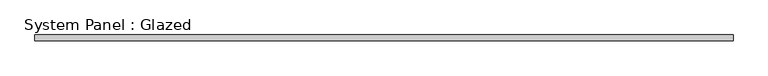
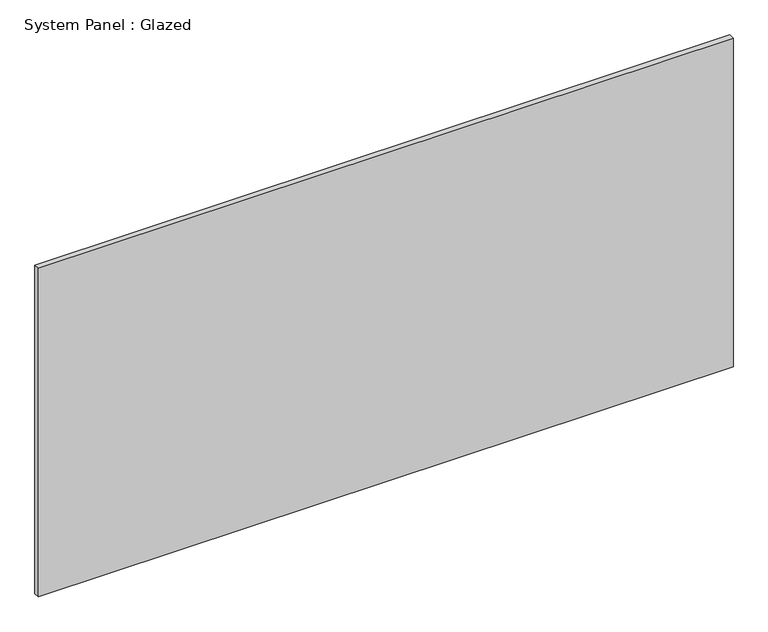
"""IFC4 building model written with IfcOpenShell, lengths in millimetres: plate geometry, System Panel : Glazed."""

from ifc_helpers import new_model, si_unit, origin, origin_with_axes, place, context, project, spatial, polyline, outline, extrude, source, transform, mapped, element, save


def system_panel_glazed_1082410b(model_context):
    return source(origin(), model_context, "Body", "SweptSolid", [
        extrude(outline(polyline([(1524.0, 25.4), (-1524.0, 25.4), (-1524.0, 50.8), (1524.0, 50.8), (1524.0, 25.4)])), origin_with_axes(), (0.0, 0.0, 1.0), 1524.0),
    ])


if __name__ == "__main__":
    model = new_model("IFC4")
    model_context = context("Model", 3, world=origin())
    ifc_project = project(units=[si_unit("LENGTHUNIT", "METRE", prefix="MILLI")], contexts=[model_context])
    site = spatial("IfcSite", under=ifc_project)
    building = spatial("IfcBuilding", under=site)
    placement = place(None, origin())
    system_panel_glazed_shape = system_panel_glazed_1082410b(model_context)
    element("IfcPlate", 1, ObjectType="System Panel : Glazed", at=placement, inside=building, context=model_context, shape_type="MappedRepresentation", body=[
        mapped(system_panel_glazed_shape, transform((0.0, 0.0, 0.0), x_axis=(1.0, 0.0, 0.0), y_axis=(0.0, 1.0, 0.0), z_axis=(0.0, 0.0, 1.0))),
    ])
    save(model, "model.ifc")
